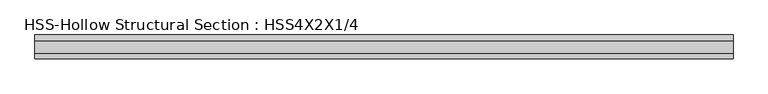
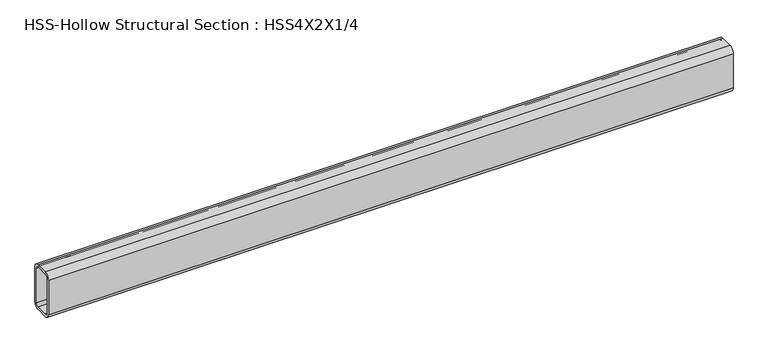
"""IFC4 building model written with IfcOpenShell, lengths in millimetres: beam geometry, HSS-Hollow Structural Section : HSS4X2X1/4."""

from ifc_helpers import new_model, si_unit, point, frame, frame_2d, origin, place, context, project, spatial, polyline, circle_curve, trimmed, segment, composite_curve, outline, extrude, source, transform, mapped, element, save


def hss_hollow_structural_section_hss4x2x1_4_b69c618c(model_context):
    return source(origin(), model_context, "Body", "SweptSolid", [
        extrude(outline(composite_curve([segment(polyline([(25.4, 38.9636), (25.4, -38.9636)]), True, "CONTINUOUS"), segment(trimmed(circle_curve(frame_2d((13.5636, -38.9636)), 11.8364), [point((25.4, -38.9636))], [point((13.5636, -50.8))], False, "CARTESIAN"), True, "CONTINUOUS"), segment(polyline([(13.5636, -50.8), (-13.5636, -50.8)]), True, "CONTINUOUS"), segment(trimmed(circle_curve(frame_2d((-13.5636, -38.9636)), 11.8364), [point((-13.5636, -50.8))], [point((-25.4, -38.9636))], False, "CARTESIAN"), True, "CONTINUOUS"), segment(polyline([(-25.4, -38.9636), (-25.4, 38.9636)]), True, "CONTINUOUS"), segment(trimmed(circle_curve(frame_2d((-13.5636, 38.9636)), 11.8364), [point((-25.4, 38.9636))], [point((-13.5636, 50.8))], False, "CARTESIAN"), True, "CONTINUOUS"), segment(polyline([(-13.5636, 50.8), (13.5636, 50.8)]), True, "CONTINUOUS"), segment(trimmed(circle_curve(frame_2d((13.5636, 38.9636)), 11.8364), [point((13.5636, 50.8))], [point((25.4, 38.9636))], False, "CARTESIAN"), True, "CONTINUOUS")], self_intersect=False), holes=[composite_curve([segment(trimmed(circle_curve(frame_2d((-13.5636, 38.9636)), 5.9182), [point((-13.5636, 44.8818))], [point((-19.4818, 38.9636))], True, "CARTESIAN"), True, "CONTINUOUS"), segment(polyline([(-19.4818, 38.9636), (-19.4818, -38.9636)]), True, "CONTINUOUS"), segment(trimmed(circle_curve(frame_2d((-13.5636, -38.9636)), 5.9182), [point((-19.4818, -38.9636))], [point((-13.5636, -44.8818))], True, "CARTESIAN"), True, "CONTINUOUS"), segment(polyline([(-13.5636, -44.8818), (13.5636, -44.8818)]), True, "CONTINUOUS"), segment(trimmed(circle_curve(frame_2d((13.5636, -38.9636)), 5.9182), [point((13.5636, -44.8818))], [point((19.4818, -38.9636))], True, "CARTESIAN"), True, "CONTINUOUS"), segment(polyline([(19.4818, -38.9636), (19.4818, 38.9636)]), True, "CONTINUOUS"), segment(trimmed(circle_curve(frame_2d((13.5636, 38.9636)), 5.9182), [point((19.4818, 38.9636))], [point((13.5636, 44.8818))], True, "CARTESIAN"), True, "CONTINUOUS"), segment(polyline([(13.5636, 44.8818), (-13.5636, 44.8818)]), True, "CONTINUOUS")], self_intersect=False)]), frame((-750.7289268, 0.0, 0.0), z_axis=(1.0, 0.0, 0.0), x_axis=(0.0, 1.0, 0.0)), (0.0, 0.0, 1.0), 1475.6407947),
    ])


if __name__ == "__main__":
    model = new_model("IFC4")
    model_context = context("Model", 3, world=origin())
    ifc_project = project(units=[si_unit("LENGTHUNIT", "METRE", prefix="MILLI")], contexts=[model_context])
    site = spatial("IfcSite", under=ifc_project)
    building = spatial("IfcBuilding", under=site)
    placement = place(None, origin())
    hss_hollow_structural_section_hss4x2x1_4_shape = hss_hollow_structural_section_hss4x2x1_4_b69c618c(model_context)
    element("IfcBeam", 1, ObjectType="HSS-Hollow Structural Section : HSS4X2X1/4", at=placement, inside=building, context=model_context, shape_type="MappedRepresentation", body=[
        mapped(hss_hollow_structural_section_hss4x2x1_4_shape, transform((0.0, 0.0, 0.0), x_axis=(1.0, 0.0, 0.0), y_axis=(0.0, 1.0, 0.0), z_axis=(0.0, 0.0, 1.0))),
    ])
    save(model, "model.ifc")
